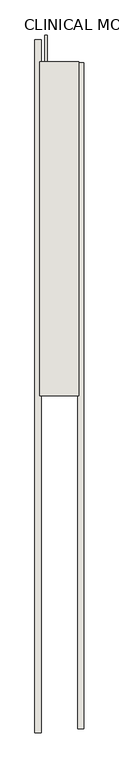
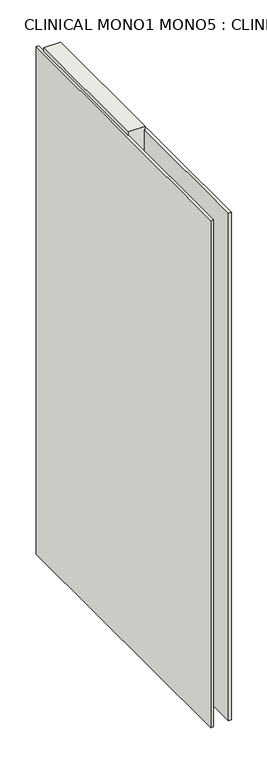
"""IFC4 building model written with IfcOpenShell, lengths in millimetres: wall geometry, CLINICAL MONO1 MONO5 : CLINICAL MONO1 MONO5."""

from ifc_helpers import new_model, si_unit, frame, origin, place, context, project, spatial, polyline, outline, extrude, source, transform, mapped, element, save


def clinical_mono1_mono5_clinical_mono1_mono5_8d3c2038(model_context):
    return source(origin(), model_context, "Body", "SweptSolid", [
        extrude(outline(polyline([(84662.2605202, -51580.6047634), (84662.2605202, -51583.1447634), (84659.7205202, -51583.1447634), (84659.7205202, -51580.6047634), (84662.2605202, -51580.6047634)])), frame((0.0, 0.0, 4419.6), z_axis=(0.0, 0.0, 1.0), x_axis=(1.0, 0.0, 0.0)), (0.0, 0.0, 1.0), 2.54),
        extrude(outline(polyline([(84610.1905202, -52973.8791295), (84610.1905202, -51535.7355237), (84622.8905202, -51535.7355237), (84622.8905202, -52973.8791295), (84610.1905202, -52973.8791295)])), frame((0.0, 0.0, 4445.0), z_axis=(0.0, 0.0, 1.0), x_axis=(1.0, 0.0, 0.0)), (0.0, 0.0, 1.0), 2545.0498756),
        extrude(outline(polyline([(84711.7905202, -51582.5968219), (84711.7905202, -52965.4403097), (84699.0905202, -52965.4403097), (84699.0905202, -51582.5968219), (84711.7905202, -51582.5968219)])), frame((0.0, 0.0, 4445.0), z_axis=(0.0, 0.0, 1.0), x_axis=(1.0, 0.0, 0.0)), (0.0, 0.0, 1.0), 2545.0498756),
        extrude(outline(polyline([(84635.9253938, -51525.2983716), (84635.9253938, -52274.0123428), (84630.8218226, -52274.0123428), (84630.8218226, -51525.2983716), (84635.9253938, -51525.2983716)])), frame((0.0, 0.0, 4418.6602), z_axis=(0.0, 0.0, 1.0), x_axis=(1.0, 0.0, 0.0)), (0.0, 0.0, 1.0), 47.625),
        extrude(outline(polyline([(84635.9253938, -51525.2983716), (84635.9253938, -52274.0123428), (84630.8218226, -52274.0123428), (84630.8218226, -51525.2983716), (84635.9253938, -51525.2983716)])), frame((0.0, 0.0, 4418.6602), z_axis=(0.0, 0.0, 1.0), x_axis=(1.0, 0.0, 0.0)), (0.0, 0.0, 1.0), 47.625),
        extrude(outline(polyline([(84686.0618696, -52274.0123428), (84686.0618696, -51580.5942224), (84691.1468226, -51580.5942224), (84691.1468226, -52274.0123428), (84686.0618696, -52274.0123428)])), frame((0.0, 0.0, 4418.6602), z_axis=(0.0, 0.0, 1.0), x_axis=(1.0, 0.0, 0.0)), (0.0, 0.0, 1.0), 47.625),
        extrude(outline(polyline([(84686.0618696, -52274.0123428), (84686.0618696, -51580.5942224), (84691.1468226, -51580.5942224), (84691.1468226, -52274.0123428), (84686.0618696, -52274.0123428)])), frame((0.0, 0.0, 4418.6602), z_axis=(0.0, 0.0, 1.0), x_axis=(1.0, 0.0, 0.0)), (0.0, 0.0, 1.0), 47.625),
        extrude(outline(polyline([(84620.354254, -51580.5942224), (84701.6330094, -51580.5942224), (84701.6330094, -52274.0123428), (84620.354254, -52274.0123428), (84620.354254, -51580.5942224)])), frame((0.0, 0.0, 4445.0), z_axis=(0.0, 0.0, 1.0), x_axis=(1.0, 0.0, 0.0)), (0.0, 0.0, 1.0), 2562.4536762),
    ])


if __name__ == "__main__":
    model = new_model("IFC4")
    model_context = context("Model", 3, world=origin())
    ifc_project = project(units=[si_unit("LENGTHUNIT", "METRE", prefix="MILLI")], contexts=[model_context])
    site = spatial("IfcSite", under=ifc_project)
    building = spatial("IfcBuilding", under=site)
    placement = place(None, origin())
    clinical_mono1_mono5_clinical_mono1_mono5_shape = clinical_mono1_mono5_clinical_mono1_mono5_8d3c2038(model_context)
    element("IfcWall", 1, ObjectType="CLINICAL MONO1 MONO5 : CLINICAL MONO1 MONO5", at=placement, inside=building, context=model_context, shape_type="MappedRepresentation", body=[
        mapped(clinical_mono1_mono5_clinical_mono1_mono5_shape, transform((0.0, 0.0, 0.0), x_axis=(1.0, 0.0, 0.0), y_axis=(0.0, 1.0, 0.0), z_axis=(0.0, 0.0, 1.0))),
    ])
    save(model, "model.ifc")
